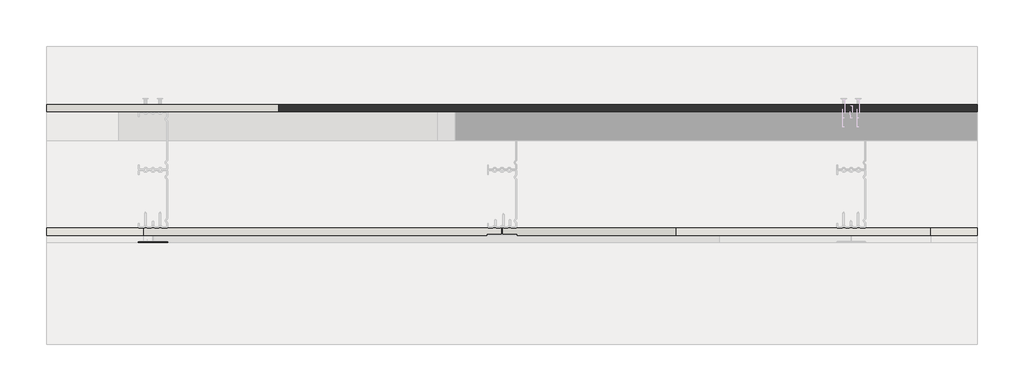
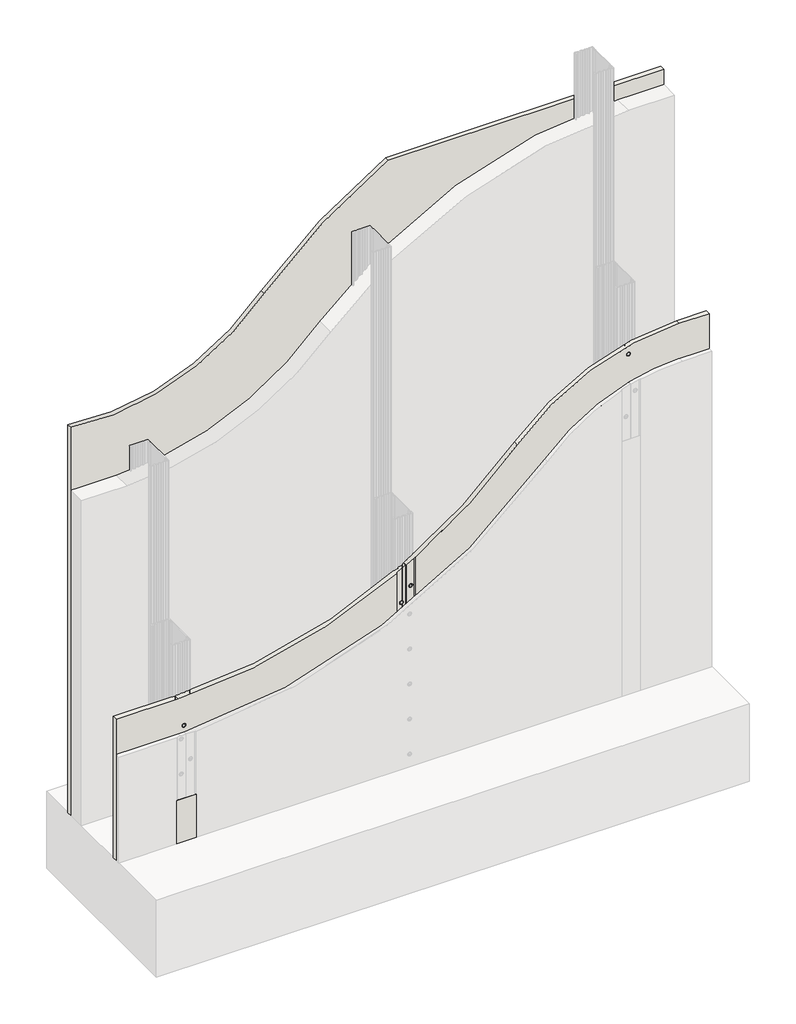
# One storey, part 1 of 3: 3 walls.
"""IFC4 building model written with IfcOpenShell, lengths in millimetres."""

from ifc_helpers import new_model, si_unit, point, frame, frame_2d, origin, origin_with_axes, place, context, project, spatial, polyline, circle_curve, ellipse_curve, trimmed, segment, composite_curve, outline, extrude, element, save
from ifc_brep_helpers import plane_surface, cylinder_surface, revolved_surface, advanced_brep

model = new_model("IFC4")

# Units and contexts
model_context = context("Model", 3, world=origin())
ifc_project = project(units=[si_unit("LENGTHUNIT", "METRE", prefix="MILLI")], contexts=[model_context])

# Site, building, storey
site = spatial("IfcSite", under=ifc_project)
building = spatial("IfcBuilding", under=site)
storey = spatial("IfcBuildingStorey", under=building, Elevation=0.0)

# Walls
placement = place(None, origin())
element("IfcWall", 1, at=placement, inside=storey, context=model_context, shape_type="SweptSolid", body=[
    extrude(outline(composite_curve([segment(polyline([(0.0, 11791.3841513), (0.0, 13391.3841513), (1568.4184724, 13391.3841513), (1568.4184724, 12649.0638865)]), True, "CONTINUOUS"), segment(trimmed(circle_curve(frame_2d((431.8740946, 13266.8438433)), 1293.5939076), [point((1568.4184724, 12649.0638865))], [point((1306.3364858, 12313.5858907))], False, "CARTESIAN"), True, "CONTINUOUS"), segment(trimmed(circle_curve(frame_2d((1680.7940504, 11871.3841513)), 579.4487433), [point((1306.3364858, 12313.5858907))], [point((1106.8943675, 11791.3841513))], True, "CARTESIAN"), True, "CONTINUOUS"), segment(polyline([(1106.8943675, 11791.3841513), (0.0, 11791.3841513)]), True, "CONTINUOUS")], self_intersect=False)), frame((0.0, 494.643389, 0.0), z_axis=(0.0, 1.0, 0.0), x_axis=(0.0, 0.0, 1.0)), (0.0, 0.0, 1.0), 12.5),
])
element("IfcWall", 2, at=placement, inside=storey, context=model_context, shape_type="AdvancedBrep", body=[
    advanced_brep(
    [(13391.3841513, 282.143389, 0.0), (13391.3841513, 282.143389, 1000.0), (13311.3841513, 282.143389, 1000.0), (12873.6769272, 282.143389, 807.5655296), (12600.3099298, 282.143389, 582.4392036), (12600.3099298, 282.143389, 0.0), (13168.8841513, 282.143389, 960.3704392), (13178.8841513, 282.143389, 960.3704392), (13168.8841513, 282.143389, 860.3704392), (13178.8841513, 282.143389, 860.3704392), (13168.8841513, 282.143389, 760.3704392), (13178.8841513, 282.143389, 760.3704392), (13168.8841513, 282.143389, 660.3704392), (13178.8841513, 282.143389, 660.3704392), (13168.8841513, 282.143389, 560.3704392), (13178.8841513, 282.143389, 560.3704392), (13168.8841513, 282.143389, 460.3704392), (13178.8841513, 282.143389, 460.3704392), (13168.8841513, 282.143389, 360.3704392), (13178.8841513, 282.143389, 360.3704392), (13168.8841513, 282.143389, 260.3704392), (13178.8841513, 282.143389, 260.3704392), (13168.8841513, 282.143389, 160.3704392), (13178.8841513, 282.143389, 160.3704392), (13168.8841513, 282.143389, 60.3704392), (13178.8841513, 282.143389, 60.3704392), (13391.3841513, 294.643389, 1000.0), (13391.3841513, 294.643389, 0.0), (12575.3099298, 294.643389, 0.0), (12575.3099298, 294.643389, 567.6720871), (12873.6769272, 294.643389, 807.5655296), (13311.3841513, 294.643389, 1000.0), (13175.4756328, 294.643389, 960.3704392), (13172.2926697, 294.643389, 960.3704392), (13175.4756328, 294.643389, 860.3704392), (13172.2926697, 294.643389, 860.3704392), (13175.4756328, 294.643389, 760.3704392), (13172.2926697, 294.643389, 760.3704392), (13175.4756328, 294.643389, 660.3704392), (13172.2926697, 294.643389, 660.3704392), (13175.4756328, 294.643389, 560.3704392), (13172.2926697, 294.643389, 560.3704392), (13175.4756328, 294.643389, 460.3704392), (13172.2926697, 294.643389, 460.3704392), (13175.4756328, 294.643389, 360.3704392), (13172.2926697, 294.643389, 360.3704392), (13175.4756328, 294.643389, 260.3704392), (13172.2926697, 294.643389, 260.3704392), (13175.4756328, 294.643389, 160.3704392), (13172.2926697, 294.643389, 160.3704392), (13175.4756328, 294.643389, 60.3704392), (13172.2926697, 294.643389, 60.3704392), (12586.174229, 294.643389, 504.1645331), (12589.4854041, 294.643389, 504.1645331), (12600.3099298, 283.143389, 0.0), (12597.154, 284.643389, 0.0), (12575.3099298, 284.643389, 0.0), (12575.3099298, 284.643389, 567.6720871), (12597.154, 284.643389, 580.5311564), (12600.3099298, 283.143389, 582.4392036), (12592.8298166, 284.643389, 504.1645331), (12582.8298166, 284.643389, 504.1645331), (13172.0185432, 283.9530311, 960.3704392), (13175.7497593, 283.9530311, 960.3704392), (13172.0185432, 283.9530311, 860.3704392), (13175.7497593, 283.9530311, 860.3704392), (13172.0185432, 283.9530311, 760.3704392), (13175.7497593, 283.9530311, 760.3704392), (13172.0185432, 283.9530311, 660.3704392), (13175.7497593, 283.9530311, 660.3704392), (13172.0185432, 283.9530311, 560.3704392), (13175.7497593, 283.9530311, 560.3704392), (13172.0185432, 283.9530311, 460.3704392), (13175.7497593, 283.9530311, 460.3704392), (13172.0185432, 283.9530311, 360.3704392), (13175.7497593, 283.9530311, 360.3704392), (13172.0185432, 283.9530311, 260.3704392), (13175.7497593, 283.9530311, 260.3704392), (13172.0185432, 283.9530311, 160.3704392), (13175.7497593, 283.9530311, 160.3704392), (13172.0185432, 283.9530311, 60.3704392), (13175.7497593, 283.9530311, 60.3704392), (12589.6954246, 286.4530311, 504.1645331), (12585.9642085, 286.4530311, 504.1645331)],
    [
        (0, 1),
        (1, 2),
        (2, 3, circle_curve(frame((13311.3841513, 282.143389, 405.9831409), z_axis=(0.0, -1.0, 0.0), x_axis=(-1.0, 0.0, 0.0)), 594.0168591)),
        (3, 4, circle_curve(frame((11958.7775955, 282.143389, 1639.9763701), z_axis=(0.0, 1.0, 0.0), x_axis=(-1.0, 0.0, 0.0)), 1236.9109081)),
        (4, 5),
        (5, 0),
        (6, 7, circle_curve(frame((13173.8841513, 282.143389, 960.3704392), z_axis=(0.0, 1.0, 0.0), x_axis=(1.0, 0.0, 0.0)), 5.0)),
        (7, 6, circle_curve(frame((13173.8841513, 282.143389, 960.3704392), z_axis=(0.0, 1.0, 0.0), x_axis=(1.0, 0.0, 0.0)), 5.0)),
        (8, 9, circle_curve(frame((13173.8841513, 282.143389, 860.3704392), z_axis=(0.0, 1.0, 0.0), x_axis=(1.0, 0.0, 0.0)), 5.0)),
        (9, 8, circle_curve(frame((13173.8841513, 282.143389, 860.3704392), z_axis=(0.0, 1.0, 0.0), x_axis=(1.0, 0.0, 0.0)), 5.0)),
        (10, 11, circle_curve(frame((13173.8841513, 282.143389, 760.3704392), z_axis=(0.0, 1.0, 0.0), x_axis=(1.0, 0.0, 0.0)), 5.0)),
        (11, 10, circle_curve(frame((13173.8841513, 282.143389, 760.3704392), z_axis=(0.0, 1.0, 0.0), x_axis=(1.0, 0.0, 0.0)), 5.0)),
        (12, 13, circle_curve(frame((13173.8841513, 282.143389, 660.3704392), z_axis=(0.0, 1.0, 0.0), x_axis=(1.0, 0.0, 0.0)), 5.0)),
        (13, 12, circle_curve(frame((13173.8841513, 282.143389, 660.3704392), z_axis=(0.0, 1.0, 0.0), x_axis=(1.0, 0.0, 0.0)), 5.0)),
        (14, 15, circle_curve(frame((13173.8841513, 282.143389, 560.3704392), z_axis=(0.0, 1.0, 0.0), x_axis=(1.0, 0.0, 0.0)), 5.0)),
        (15, 14, circle_curve(frame((13173.8841513, 282.143389, 560.3704392), z_axis=(0.0, 1.0, 0.0), x_axis=(1.0, 0.0, 0.0)), 5.0)),
        (16, 17, circle_curve(frame((13173.8841513, 282.143389, 460.3704392), z_axis=(0.0, 1.0, 0.0), x_axis=(1.0, 0.0, 0.0)), 5.0)),
        (17, 16, circle_curve(frame((13173.8841513, 282.143389, 460.3704392), z_axis=(0.0, 1.0, 0.0), x_axis=(1.0, 0.0, 0.0)), 5.0)),
        (18, 19, circle_curve(frame((13173.8841513, 282.143389, 360.3704392), z_axis=(0.0, 1.0, 0.0), x_axis=(1.0, 0.0, 0.0)), 5.0)),
        (19, 18, circle_curve(frame((13173.8841513, 282.143389, 360.3704392), z_axis=(0.0, 1.0, 0.0), x_axis=(1.0, 0.0, 0.0)), 5.0)),
        (20, 21, circle_curve(frame((13173.8841513, 282.143389, 260.3704392), z_axis=(0.0, 1.0, 0.0), x_axis=(1.0, 0.0, 0.0)), 5.0)),
        (21, 20, circle_curve(frame((13173.8841513, 282.143389, 260.3704392), z_axis=(0.0, 1.0, 0.0), x_axis=(1.0, 0.0, 0.0)), 5.0)),
        (22, 23, circle_curve(frame((13173.8841513, 282.143389, 160.3704392), z_axis=(0.0, 1.0, 0.0), x_axis=(1.0, 0.0, 0.0)), 5.0)),
        (23, 22, circle_curve(frame((13173.8841513, 282.143389, 160.3704392), z_axis=(0.0, 1.0, 0.0), x_axis=(1.0, 0.0, 0.0)), 5.0)),
        (24, 25, circle_curve(frame((13173.8841513, 282.143389, 60.3704392), z_axis=(0.0, 1.0, 0.0), x_axis=(1.0, 0.0, 0.0)), 5.0)),
        (25, 24, circle_curve(frame((13173.8841513, 282.143389, 60.3704392), z_axis=(0.0, 1.0, 0.0), x_axis=(1.0, 0.0, 0.0)), 5.0)),
        (26, 27),
        (27, 28),
        (28, 29),
        (29, 30, circle_curve(frame((11958.7775955, 294.643389, 1639.9763701), z_axis=(0.0, -1.0, 0.0), x_axis=(-1.0, 0.0, 0.0)), 1236.9109081)),
        (30, 31, circle_curve(frame((13311.3841513, 294.643389, 405.9831409), z_axis=(0.0, 1.0, 0.0), x_axis=(-1.0, 0.0, 0.0)), 594.0168591)),
        (31, 26),
        (32, 33, circle_curve(frame((13173.8841513, 294.643389, 960.3704392), z_axis=(0.0, -1.0, 0.0), x_axis=(1.0, 0.0, 0.0)), 1.5914815)),
        (33, 32, circle_curve(frame((13173.8841513, 294.643389, 960.3704392), z_axis=(0.0, -1.0, 0.0), x_axis=(1.0, 0.0, 0.0)), 1.5914815)),
        (34, 35, circle_curve(frame((13173.8841513, 294.643389, 860.3704392), z_axis=(0.0, -1.0, 0.0), x_axis=(1.0, 0.0, 0.0)), 1.5914815)),
        (35, 34, circle_curve(frame((13173.8841513, 294.643389, 860.3704392), z_axis=(0.0, -1.0, 0.0), x_axis=(1.0, 0.0, 0.0)), 1.5914815)),
        (36, 37, circle_curve(frame((13173.8841513, 294.643389, 760.3704392), z_axis=(0.0, -1.0, 0.0), x_axis=(1.0, 0.0, 0.0)), 1.5914815)),
        (37, 36, circle_curve(frame((13173.8841513, 294.643389, 760.3704392), z_axis=(0.0, -1.0, 0.0), x_axis=(1.0, 0.0, 0.0)), 1.5914815)),
        (38, 39, circle_curve(frame((13173.8841513, 294.643389, 660.3704392), z_axis=(0.0, -1.0, 0.0), x_axis=(1.0, 0.0, 0.0)), 1.5914815)),
        (39, 38, circle_curve(frame((13173.8841513, 294.643389, 660.3704392), z_axis=(0.0, -1.0, 0.0), x_axis=(1.0, 0.0, 0.0)), 1.5914815)),
        (40, 41, circle_curve(frame((13173.8841513, 294.643389, 560.3704392), z_axis=(0.0, -1.0, 0.0), x_axis=(1.0, 0.0, 0.0)), 1.5914815)),
        (41, 40, circle_curve(frame((13173.8841513, 294.643389, 560.3704392), z_axis=(0.0, -1.0, 0.0), x_axis=(1.0, 0.0, 0.0)), 1.5914815)),
        (42, 43, circle_curve(frame((13173.8841513, 294.643389, 460.3704392), z_axis=(0.0, -1.0, 0.0), x_axis=(1.0, 0.0, 0.0)), 1.5914815)),
        (43, 42, circle_curve(frame((13173.8841513, 294.643389, 460.3704392), z_axis=(0.0, -1.0, 0.0), x_axis=(1.0, 0.0, 0.0)), 1.5914815)),
        (44, 45, circle_curve(frame((13173.8841513, 294.643389, 360.3704392), z_axis=(0.0, -1.0, 0.0), x_axis=(1.0, 0.0, 0.0)), 1.5914815)),
        (45, 44, circle_curve(frame((13173.8841513, 294.643389, 360.3704392), z_axis=(0.0, -1.0, 0.0), x_axis=(1.0, 0.0, 0.0)), 1.5914815)),
        (46, 47, circle_curve(frame((13173.8841513, 294.643389, 260.3704392), z_axis=(0.0, -1.0, 0.0), x_axis=(1.0, 0.0, 0.0)), 1.5914815)),
        (47, 46, circle_curve(frame((13173.8841513, 294.643389, 260.3704392), z_axis=(0.0, -1.0, 0.0), x_axis=(1.0, 0.0, 0.0)), 1.5914815)),
        (48, 49, circle_curve(frame((13173.8841513, 294.643389, 160.3704392), z_axis=(0.0, -1.0, 0.0), x_axis=(1.0, 0.0, 0.0)), 1.5914815)),
        (49, 48, circle_curve(frame((13173.8841513, 294.643389, 160.3704392), z_axis=(0.0, -1.0, 0.0), x_axis=(1.0, 0.0, 0.0)), 1.5914815)),
        (50, 51, circle_curve(frame((13173.8841513, 294.643389, 60.3704392), z_axis=(0.0, -1.0, 0.0), x_axis=(1.0, 0.0, 0.0)), 1.5914815)),
        (51, 50, circle_curve(frame((13173.8841513, 294.643389, 60.3704392), z_axis=(0.0, -1.0, 0.0), x_axis=(1.0, 0.0, 0.0)), 1.5914815)),
        (52, 53, circle_curve(frame((12587.8298166, 294.643389, 504.1645331), z_axis=(0.0, -1.0, 0.0), x_axis=(-1.0, 0.0, 0.0)), 1.6555876)),
        (53, 52, circle_curve(frame((12587.8298166, 294.643389, 504.1645331), z_axis=(0.0, -1.0, 0.0), x_axis=(-1.0, 0.0, 0.0)), 1.6555876)),
        (27, 0),
        (5, 54),
        (54, 55),
        (55, 56),
        (56, 28),
        (26, 1),
        (31, 2),
        (30, 3),
        (29, 57),
        (57, 58, circle_curve(frame((11958.7775955, 284.643389, 1639.9763701), z_axis=(0.0, -1.0, 0.0), x_axis=(-1.0, 0.0, 0.0)), 1236.9109081)),
        (58, 59, ellipse_curve(frame((11958.7775955, 588.0609743, 1639.9763701), z_axis=(-0.42927473522914233, -0.9031739598183451, 0.0), x_axis=(-0.903173959818345, 0.42927473522914233, 0.0)), 1369.5156893, 1236.9109081)),
        (59, 4),
        (59, 54),
        (58, 55),
        (57, 56),
        (60, 61, circle_curve(frame((12587.8298166, 284.643389, 504.1645331), z_axis=(0.0, 1.0, 0.0), x_axis=(-1.0, 0.0, 0.0)), 5.0)),
        (61, 60, circle_curve(frame((12587.8298166, 284.643389, 504.1645331), z_axis=(0.0, 1.0, 0.0), x_axis=(-1.0, 0.0, 0.0)), 5.0)),
        (6, 62),
        (62, 63, circle_curve(frame((13173.8841513, 283.9530311, 960.3704392), z_axis=(0.0, 1.0, 0.0), x_axis=(1.0, 0.0, 0.0)), 1.865608)),
        (63, 7),
        (63, 62, circle_curve(frame((13173.8841513, 283.9530311, 960.3704392), z_axis=(0.0, 1.0, 0.0), x_axis=(1.0, 0.0, 0.0)), 1.865608)),
        (62, 33),
        (32, 63),
        (8, 64),
        (64, 65, circle_curve(frame((13173.8841513, 283.9530311, 860.3704392), z_axis=(0.0, 1.0, 0.0), x_axis=(1.0, 0.0, 0.0)), 1.865608)),
        (65, 9),
        (65, 64, circle_curve(frame((13173.8841513, 283.9530311, 860.3704392), z_axis=(0.0, 1.0, 0.0), x_axis=(1.0, 0.0, 0.0)), 1.865608)),
        (64, 35),
        (34, 65),
        (10, 66),
        (66, 67, circle_curve(frame((13173.8841513, 283.9530311, 760.3704392), z_axis=(0.0, 1.0, 0.0), x_axis=(1.0, 0.0, 0.0)), 1.865608)),
        (67, 11),
        (67, 66, circle_curve(frame((13173.8841513, 283.9530311, 760.3704392), z_axis=(0.0, 1.0, 0.0), x_axis=(1.0, 0.0, 0.0)), 1.865608)),
        (66, 37),
        (36, 67),
        (12, 68),
        (68, 69, circle_curve(frame((13173.8841513, 283.9530311, 660.3704392), z_axis=(0.0, 1.0, 0.0), x_axis=(1.0, 0.0, 0.0)), 1.865608)),
        (69, 13),
        (69, 68, circle_curve(frame((13173.8841513, 283.9530311, 660.3704392), z_axis=(0.0, 1.0, 0.0), x_axis=(1.0, 0.0, 0.0)), 1.865608)),
        (68, 39),
        (38, 69),
        (14, 70),
        (70, 71, circle_curve(frame((13173.8841513, 283.9530311, 560.3704392), z_axis=(0.0, 1.0, 0.0), x_axis=(1.0, 0.0, 0.0)), 1.865608)),
        (71, 15),
        (71, 70, circle_curve(frame((13173.8841513, 283.9530311, 560.3704392), z_axis=(0.0, 1.0, 0.0), x_axis=(1.0, 0.0, 0.0)), 1.865608)),
        (70, 41),
        (40, 71),
        (16, 72),
        (72, 73, circle_curve(frame((13173.8841513, 283.9530311, 460.3704392), z_axis=(0.0, 1.0, 0.0), x_axis=(1.0, 0.0, 0.0)), 1.865608)),
        (73, 17),
        (73, 72, circle_curve(frame((13173.8841513, 283.9530311, 460.3704392), z_axis=(0.0, 1.0, 0.0), x_axis=(1.0, 0.0, 0.0)), 1.865608)),
        (72, 43),
        (42, 73),
        (18, 74),
        (74, 75, circle_curve(frame((13173.8841513, 283.9530311, 360.3704392), z_axis=(0.0, 1.0, 0.0), x_axis=(1.0, 0.0, 0.0)), 1.865608)),
        (75, 19),
        (75, 74, circle_curve(frame((13173.8841513, 283.9530311, 360.3704392), z_axis=(0.0, 1.0, 0.0), x_axis=(1.0, 0.0, 0.0)), 1.865608)),
        (74, 45),
        (44, 75),
        (20, 76),
        (76, 77, circle_curve(frame((13173.8841513, 283.9530311, 260.3704392), z_axis=(0.0, 1.0, 0.0), x_axis=(1.0, 0.0, 0.0)), 1.865608)),
        (77, 21),
        (77, 76, circle_curve(frame((13173.8841513, 283.9530311, 260.3704392), z_axis=(0.0, 1.0, 0.0), x_axis=(1.0, 0.0, 0.0)), 1.865608)),
        (76, 47),
        (46, 77),
        (22, 78),
        (78, 79, circle_curve(frame((13173.8841513, 283.9530311, 160.3704392), z_axis=(0.0, 1.0, 0.0), x_axis=(1.0, 0.0, 0.0)), 1.865608)),
        (79, 23),
        (79, 78, circle_curve(frame((13173.8841513, 283.9530311, 160.3704392), z_axis=(0.0, 1.0, 0.0), x_axis=(1.0, 0.0, 0.0)), 1.865608)),
        (78, 49),
        (48, 79),
        (24, 80),
        (80, 81, circle_curve(frame((13173.8841513, 283.9530311, 60.3704392), z_axis=(0.0, 1.0, 0.0), x_axis=(1.0, 0.0, 0.0)), 1.865608)),
        (81, 25),
        (81, 80, circle_curve(frame((13173.8841513, 283.9530311, 60.3704392), z_axis=(0.0, 1.0, 0.0), x_axis=(1.0, 0.0, 0.0)), 1.865608)),
        (80, 51),
        (50, 81),
        (60, 82),
        (82, 83, circle_curve(frame((12587.8298166, 286.4530311, 504.1645331), z_axis=(0.0, 1.0, 0.0), x_axis=(-1.0, 0.0, 0.0)), 1.865608)),
        (83, 61),
        (83, 82, circle_curve(frame((12587.8298166, 286.4530311, 504.1645331), z_axis=(0.0, 1.0, 0.0), x_axis=(-1.0, 0.0, 0.0)), 1.865608)),
        (82, 53),
        (52, 83),
    ],
    [
        plane_surface(frame((11791.3841513, 282.143389, 0.0), z_axis=(0.0, -1.0, 0.0), x_axis=(1.0, 0.0, 0.0))),
        plane_surface(frame((11791.3841513, 294.643389, 0.0), z_axis=(0.0, 1.0, 0.0), x_axis=(-1.0, 0.0, 0.0))),
        plane_surface(frame((11791.3841513, 282.143389, 0.0), z_axis=(0.0, 0.0, -1.0), x_axis=(0.0, 1.0, 0.0))),
        plane_surface(frame((13391.3841513, 282.143389, 0.0), z_axis=(1.0, 0.0, 0.0), x_axis=(0.0, 1.0, 0.0))),
        plane_surface(frame((13391.3841513, 282.143389, 1000.0), z_axis=(0.0, 0.0, 1.0), x_axis=(0.0, 1.0, 0.0))),
        cylinder_surface(frame((13311.3841513, 294.643389, 405.9831409), z_axis=(0.0, -1.0, 0.0), x_axis=(-1.0, 0.0, 0.0)), 594.0168591),
        revolved_surface(polyline([(10721.8666874, 1175.959459216414, 1639.9763701), (10721.8666874, 0.1624893835861485, 1639.9763701)]), (11958.7775955, 294.643389, 1639.9763701), (0.0, 1.0, 0.0)),
        plane_surface(frame((12600.3099298, 282.143389, 1000.0), z_axis=(-1.0, 0.0, 0.0), x_axis=(0.0, 0.0, -1.0))),
        plane_surface(frame((12600.3099298, 283.143389, 1000.0), z_axis=(-0.42927473522914233, -0.9031739598183451, 0.0), x_axis=(0.0, 0.0, -1.0))),
        plane_surface(frame((12597.154, 284.643389, 1000.0), z_axis=(0.0, -1.0, 0.0), x_axis=(0.0, 0.0, -1.0))),
        plane_surface(frame((12575.3099298, 284.643389, 1000.0), z_axis=(-1.0, 0.0, 0.0), x_axis=(0.0, 0.0, -1.0))),
        revolved_surface(polyline([(13178.8841513, 282.143389, 960.3704392), (13175.7497593, 283.9530311, 960.3704392)]), (13173.8841513, 1282.143389, 960.3704392), (0.0, -1.0, 0.0)),
        revolved_surface(polyline([(13175.7497593, 283.9530311, 960.3704392), (13175.1894783, 305.8028125, 960.3704392)]), (13173.8841513, 1282.143389, 960.3704392), (0.0, -1.0, 0.0)),
        revolved_surface(polyline([(13178.8841513, 282.143389, 860.3704392), (13175.7497593, 283.9530311, 860.3704392)]), (13173.8841513, 1282.143389, 860.3704392), (0.0, -1.0, 0.0)),
        revolved_surface(polyline([(13175.7497593, 283.9530311, 860.3704392), (13175.1894783, 305.8028125, 860.3704392)]), (13173.8841513, 1282.143389, 860.3704392), (0.0, -1.0, 0.0)),
        revolved_surface(polyline([(13178.8841513, 282.143389, 760.3704392), (13175.7497593, 283.9530311, 760.3704392)]), (13173.8841513, 1282.143389, 760.3704392), (0.0, -1.0, 0.0)),
        revolved_surface(polyline([(13175.7497593, 283.9530311, 760.3704392), (13175.1894783, 305.8028125, 760.3704392)]), (13173.8841513, 1282.143389, 760.3704392), (0.0, -1.0, 0.0)),
        revolved_surface(polyline([(13178.8841513, 282.143389, 660.3704392), (13175.7497593, 283.9530311, 660.3704392)]), (13173.8841513, 1282.143389, 660.3704392), (0.0, -1.0, 0.0)),
        revolved_surface(polyline([(13175.7497593, 283.9530311, 660.3704392), (13175.1894783, 305.8028125, 660.3704392)]), (13173.8841513, 1282.143389, 660.3704392), (0.0, -1.0, 0.0)),
        revolved_surface(polyline([(13178.8841513, 282.143389, 560.3704392), (13175.7497593, 283.9530311, 560.3704392)]), (13173.8841513, 1282.143389, 560.3704392), (0.0, -1.0, 0.0)),
        revolved_surface(polyline([(13175.7497593, 283.9530311, 560.3704392), (13175.1894783, 305.8028125, 560.3704392)]), (13173.8841513, 1282.143389, 560.3704392), (0.0, -1.0, 0.0)),
        revolved_surface(polyline([(13178.8841513, 282.143389, 460.3704392), (13175.7497593, 283.9530311, 460.3704392)]), (13173.8841513, 1282.143389, 460.3704392), (0.0, -1.0, 0.0)),
        revolved_surface(polyline([(13175.7497593, 283.9530311, 460.3704392), (13175.1894783, 305.8028125, 460.3704392)]), (13173.8841513, 1282.143389, 460.3704392), (0.0, -1.0, 0.0)),
        revolved_surface(polyline([(13178.8841513, 282.143389, 360.3704392), (13175.7497593, 283.9530311, 360.3704392)]), (13173.8841513, 1282.143389, 360.3704392), (0.0, -1.0, 0.0)),
        revolved_surface(polyline([(13175.7497593, 283.9530311, 360.3704392), (13175.1894783, 305.8028125, 360.3704392)]), (13173.8841513, 1282.143389, 360.3704392), (0.0, -1.0, 0.0)),
        revolved_surface(polyline([(13178.8841513, 282.143389, 260.3704392), (13175.7497593, 283.9530311, 260.3704392)]), (13173.8841513, 1282.143389, 260.3704392), (0.0, -1.0, 0.0)),
        revolved_surface(polyline([(13175.7497593, 283.9530311, 260.3704392), (13175.1894783, 305.8028125, 260.3704392)]), (13173.8841513, 1282.143389, 260.3704392), (0.0, -1.0, 0.0)),
        revolved_surface(polyline([(13178.8841513, 282.143389, 160.3704392), (13175.7497593, 283.9530311, 160.3704392)]), (13173.8841513, 1282.143389, 160.3704392), (0.0, -1.0, 0.0)),
        revolved_surface(polyline([(13175.7497593, 283.9530311, 160.3704392), (13175.1894783, 305.8028125, 160.3704392)]), (13173.8841513, 1282.143389, 160.3704392), (0.0, -1.0, 0.0)),
        revolved_surface(polyline([(13178.8841513, 282.143389, 60.3704392), (13175.7497593, 283.9530311, 60.3704392)]), (13173.8841513, 1282.143389, 60.3704392), (0.0, -1.0, 0.0)),
        revolved_surface(polyline([(13175.7497593, 283.9530311, 60.3704392), (13175.1894783, 305.8028125, 60.3704392)]), (13173.8841513, 1282.143389, 60.3704392), (0.0, -1.0, 0.0)),
        revolved_surface(polyline([(12582.8298166, 284.643389, 504.1645331), (12585.9642085, 286.4530311, 504.1645331)]), (12587.8298166, 1284.643389, 504.1645331), (0.0, -1.0, 0.0)),
        revolved_surface(polyline([(12585.9642085, 286.4530311, 504.1645331), (12586.5244895, 308.3028125, 504.1645331)]), (12587.8298166, 1284.643389, 504.1645331), (0.0, -1.0, 0.0)),
    ],
    [
        (0, [[1, 2, 3, 4, 5, 6], [7, 8], [9, 10], [11, 12], [13, 14], [15, 16], [17, 18], [19, 20], [21, 22], [23, 24], [25, 26]]),
        (1, [[27, 28, 29, 30, 31, 32], [33, 34], [35, 36], [37, 38], [39, 40], [41, 42], [43, 44], [45, 46], [47, 48], [49, 50], [51, 52], [53, 54]]),
        (2, [[55, -6, 56, 57, 58, 59, -28]]),
        (3, [[-1, -55, -27, 60]]),
        (4, [[-2, -60, -32, 61]]),
        (5, [[-3, -61, -31, 62]]),
        (6, [[-62, -30, 63, 64, 65, 66, -4]]),
        (7, [[-5, -66, 67, -56]]),
        (8, [[-67, -65, 68, -57]]),
        (9, [[-68, -64, 69, -58], [70, 71]]),
        (10, [[-29, -59, -69, -63]]),
        (11, [[72, 73, 74, -7]]),
        (11, [[-72, -8, -74, 75]]),
        (12, [[-73, 76, -33, 77]]),
        (12, [[-75, -77, -34, -76]]),
        (13, [[78, 79, 80, -9]]),
        (13, [[-78, -10, -80, 81]]),
        (14, [[-79, 82, -35, 83]]),
        (14, [[-81, -83, -36, -82]]),
        (15, [[84, 85, 86, -11]]),
        (15, [[-84, -12, -86, 87]]),
        (16, [[-85, 88, -37, 89]]),
        (16, [[-87, -89, -38, -88]]),
        (17, [[90, 91, 92, -13]]),
        (17, [[-90, -14, -92, 93]]),
        (18, [[-91, 94, -39, 95]]),
        (18, [[-93, -95, -40, -94]]),
        (19, [[96, 97, 98, -15]]),
        (19, [[-96, -16, -98, 99]]),
        (20, [[-97, 100, -41, 101]]),
        (20, [[-99, -101, -42, -100]]),
        (21, [[102, 103, 104, -17]]),
        (21, [[-102, -18, -104, 105]]),
        (22, [[-103, 106, -43, 107]]),
        (22, [[-105, -107, -44, -106]]),
        (23, [[108, 109, 110, -19]]),
        (23, [[-108, -20, -110, 111]]),
        (24, [[-109, 112, -45, 113]]),
        (24, [[-111, -113, -46, -112]]),
        (25, [[114, 115, 116, -21]]),
        (25, [[-114, -22, -116, 117]]),
        (26, [[-115, 118, -47, 119]]),
        (26, [[-117, -119, -48, -118]]),
        (27, [[120, 121, 122, -23]]),
        (27, [[-120, -24, -122, 123]]),
        (28, [[-121, 124, -49, 125]]),
        (28, [[-123, -125, -50, -124]]),
        (29, [[126, 127, 128, -25]]),
        (29, [[-126, -26, -128, 129]]),
        (30, [[-127, 130, -51, 131]]),
        (30, [[-129, -131, -52, -130]]),
        (31, [[132, 133, 134, -70]]),
        (31, [[-132, -71, -134, 135]]),
        (32, [[-133, 136, -53, 137]]),
        (32, [[-135, -137, -54, -136]]),
    ],
),
    advanced_brep(
    [(11791.3841513, 282.143389, 403.065462), (11791.3841513, 282.143389, 0.0), (12548.3099298, 282.143389, 0.0), (12548.3099298, 282.143389, 552.5940908), (11958.7775955, 282.143389, 403.065462), (11969.5091513, 282.143389, 321.2712003), (11979.5091513, 282.143389, 321.2712003), (11969.5091513, 282.143389, 221.2712003), (11979.5091513, 282.143389, 221.2712003), (11969.5091513, 282.143389, 121.2712003), (11979.5091513, 282.143389, 121.2712003), (11969.5091513, 282.143389, 21.2712003), (11979.5091513, 282.143389, 21.2712003), (11791.3841513, 294.643389, 0.0), (11791.3841513, 294.643389, 403.065462), (11958.7775955, 294.643389, 403.065462), (12573.3099298, 294.643389, 566.5246457), (12573.3099298, 294.643389, 0.0), (11976.1006328, 294.643389, 321.2712003), (11972.9176697, 294.643389, 321.2712003), (11976.1006328, 294.643389, 221.2712003), (11972.9176697, 294.643389, 221.2712003), (11976.1006328, 294.643389, 121.2712003), (11972.9176697, 294.643389, 121.2712003), (11976.1006328, 294.643389, 21.2712003), (11972.9176697, 294.643389, 21.2712003), (12561.174229, 294.643389, 464.1645331), (12564.4854041, 294.643389, 464.1645331), (12573.3099298, 284.643389, 0.0), (12551.4658596, 284.643389, 0.0), (12548.3099298, 283.143389, 0.0), (12548.3099298, 283.143389, 552.5940908), (12551.4658596, 284.643389, 554.3110367), (12573.3099298, 284.643389, 566.5246457), (12567.8298166, 284.643389, 464.1645331), (12557.8298166, 284.643389, 464.1645331), (11972.6435432, 283.9530311, 321.2712003), (11976.3747593, 283.9530311, 321.2712003), (11972.6435432, 283.9530311, 221.2712003), (11976.3747593, 283.9530311, 221.2712003), (11972.6435432, 283.9530311, 121.2712003), (11976.3747593, 283.9530311, 121.2712003), (11972.6435432, 283.9530311, 21.2712003), (11976.3747593, 283.9530311, 21.2712003), (12564.6954246, 286.4530311, 464.1645331), (12560.9642085, 286.4530311, 464.1645331)],
    [
        (0, 1),
        (1, 2),
        (2, 3),
        (3, 4, circle_curve(frame((11958.7775955, 282.143389, 1639.9763701), z_axis=(0.0, 1.0, 0.0), x_axis=(-1.0, 0.0, 0.0)), 1236.9109081)),
        (4, 0),
        (5, 6, circle_curve(frame((11974.5091513, 282.143389, 321.2712003), z_axis=(0.0, 1.0, 0.0), x_axis=(1.0, 0.0, 0.0)), 5.0)),
        (6, 5, circle_curve(frame((11974.5091513, 282.143389, 321.2712003), z_axis=(0.0, 1.0, 0.0), x_axis=(1.0, 0.0, 0.0)), 5.0)),
        (7, 8, circle_curve(frame((11974.5091513, 282.143389, 221.2712003), z_axis=(0.0, 1.0, 0.0), x_axis=(1.0, 0.0, 0.0)), 5.0)),
        (8, 7, circle_curve(frame((11974.5091513, 282.143389, 221.2712003), z_axis=(0.0, 1.0, 0.0), x_axis=(1.0, 0.0, 0.0)), 5.0)),
        (9, 10, circle_curve(frame((11974.5091513, 282.143389, 121.2712003), z_axis=(0.0, 1.0, 0.0), x_axis=(1.0, 0.0, 0.0)), 5.0)),
        (10, 9, circle_curve(frame((11974.5091513, 282.143389, 121.2712003), z_axis=(0.0, 1.0, 0.0), x_axis=(1.0, 0.0, 0.0)), 5.0)),
        (11, 12, circle_curve(frame((11974.5091513, 282.143389, 21.2712003), z_axis=(0.0, 1.0, 0.0), x_axis=(1.0, 0.0, 0.0)), 5.0)),
        (12, 11, circle_curve(frame((11974.5091513, 282.143389, 21.2712003), z_axis=(0.0, 1.0, 0.0), x_axis=(1.0, 0.0, 0.0)), 5.0)),
        (13, 14),
        (14, 15),
        (15, 16, circle_curve(frame((11958.7775955, 294.643389, 1639.9763701), z_axis=(0.0, -1.0, 0.0), x_axis=(-1.0, 0.0, 0.0)), 1236.9109081)),
        (16, 17),
        (17, 13),
        (18, 19, circle_curve(frame((11974.5091513, 294.643389, 321.2712003), z_axis=(0.0, -1.0, 0.0), x_axis=(1.0, 0.0, 0.0)), 1.5914815)),
        (19, 18, circle_curve(frame((11974.5091513, 294.643389, 321.2712003), z_axis=(0.0, -1.0, 0.0), x_axis=(1.0, 0.0, 0.0)), 1.5914815)),
        (20, 21, circle_curve(frame((11974.5091513, 294.643389, 221.2712003), z_axis=(0.0, -1.0, 0.0), x_axis=(1.0, 0.0, 0.0)), 1.5914815)),
        (21, 20, circle_curve(frame((11974.5091513, 294.643389, 221.2712003), z_axis=(0.0, -1.0, 0.0), x_axis=(1.0, 0.0, 0.0)), 1.5914815)),
        (22, 23, circle_curve(frame((11974.5091513, 294.643389, 121.2712003), z_axis=(0.0, -1.0, 0.0), x_axis=(1.0, 0.0, 0.0)), 1.5914815)),
        (23, 22, circle_curve(frame((11974.5091513, 294.643389, 121.2712003), z_axis=(0.0, -1.0, 0.0), x_axis=(1.0, 0.0, 0.0)), 1.5914815)),
        (24, 25, circle_curve(frame((11974.5091513, 294.643389, 21.2712003), z_axis=(0.0, -1.0, 0.0), x_axis=(1.0, 0.0, 0.0)), 1.5914815)),
        (25, 24, circle_curve(frame((11974.5091513, 294.643389, 21.2712003), z_axis=(0.0, -1.0, 0.0), x_axis=(1.0, 0.0, 0.0)), 1.5914815)),
        (26, 27, circle_curve(frame((12562.8298166, 294.643389, 464.1645331), z_axis=(0.0, -1.0, 0.0), x_axis=(-1.0, 0.0, 0.0)), 1.6555876)),
        (27, 26, circle_curve(frame((12562.8298166, 294.643389, 464.1645331), z_axis=(0.0, -1.0, 0.0), x_axis=(-1.0, 0.0, 0.0)), 1.6555876)),
        (1, 13),
        (17, 28),
        (28, 29),
        (29, 30),
        (30, 2),
        (0, 14),
        (15, 4),
        (3, 31),
        (31, 32, ellipse_curve(frame((11958.7775955, 2.9411821, 1639.9763701), z_axis=(0.42927473523314746, -0.9031739598164416, 0.0), x_axis=(0.9031739598164414, 0.42927473523314735, 0.0)), 1369.5156893, 1236.9109081)),
        (32, 33, circle_curve(frame((11958.7775955, 284.643389, 1639.9763701), z_axis=(0.0, -1.0, 0.0), x_axis=(-1.0, 0.0, 0.0)), 1236.9109081)),
        (33, 16),
        (33, 28),
        (32, 29),
        (34, 35, circle_curve(frame((12562.8298166, 284.643389, 464.1645331), z_axis=(0.0, 1.0, 0.0), x_axis=(-1.0, 0.0, 0.0)), 5.0)),
        (35, 34, circle_curve(frame((12562.8298166, 284.643389, 464.1645331), z_axis=(0.0, 1.0, 0.0), x_axis=(-1.0, 0.0, 0.0)), 5.0)),
        (31, 30),
        (5, 36),
        (36, 37, circle_curve(frame((11974.5091513, 283.9530311, 321.2712003), z_axis=(0.0, 1.0, 0.0), x_axis=(1.0, 0.0, 0.0)), 1.865608)),
        (37, 6),
        (37, 36, circle_curve(frame((11974.5091513, 283.9530311, 321.2712003), z_axis=(0.0, 1.0, 0.0), x_axis=(1.0, 0.0, 0.0)), 1.865608)),
        (36, 19),
        (18, 37),
        (7, 38),
        (38, 39, circle_curve(frame((11974.5091513, 283.9530311, 221.2712003), z_axis=(0.0, 1.0, 0.0), x_axis=(1.0, 0.0, 0.0)), 1.865608)),
        (39, 8),
        (39, 38, circle_curve(frame((11974.5091513, 283.9530311, 221.2712003), z_axis=(0.0, 1.0, 0.0), x_axis=(1.0, 0.0, 0.0)), 1.865608)),
        (38, 21),
        (20, 39),
        (9, 40),
        (40, 41, circle_curve(frame((11974.5091513, 283.9530311, 121.2712003), z_axis=(0.0, 1.0, 0.0), x_axis=(1.0, 0.0, 0.0)), 1.865608)),
        (41, 10),
        (41, 40, circle_curve(frame((11974.5091513, 283.9530311, 121.2712003), z_axis=(0.0, 1.0, 0.0), x_axis=(1.0, 0.0, 0.0)), 1.865608)),
        (40, 23),
        (22, 41),
        (11, 42),
        (42, 43, circle_curve(frame((11974.5091513, 283.9530311, 21.2712003), z_axis=(0.0, 1.0, 0.0), x_axis=(1.0, 0.0, 0.0)), 1.865608)),
        (43, 12),
        (43, 42, circle_curve(frame((11974.5091513, 283.9530311, 21.2712003), z_axis=(0.0, 1.0, 0.0), x_axis=(1.0, 0.0, 0.0)), 1.865608)),
        (42, 25),
        (24, 43),
        (34, 44),
        (44, 45, circle_curve(frame((12562.8298166, 286.4530311, 464.1645331), z_axis=(0.0, 1.0, 0.0), x_axis=(-1.0, 0.0, 0.0)), 1.865608)),
        (45, 35),
        (45, 44, circle_curve(frame((12562.8298166, 286.4530311, 464.1645331), z_axis=(0.0, 1.0, 0.0), x_axis=(-1.0, 0.0, 0.0)), 1.865608)),
        (44, 27),
        (26, 45),
    ],
    [
        plane_surface(frame((11791.3841513, 282.143389, 0.0), z_axis=(0.0, -1.0, 0.0), x_axis=(1.0, 0.0, 0.0))),
        plane_surface(frame((11791.3841513, 294.643389, 0.0), z_axis=(0.0, 1.0, 0.0), x_axis=(-1.0, 0.0, 0.0))),
        plane_surface(frame((11791.3841513, 282.143389, 0.0), z_axis=(0.0, 0.0, -1.0), x_axis=(0.0, 1.0, 0.0))),
        plane_surface(frame((11791.3841513, 282.143389, 403.065462), z_axis=(-1.0, 0.0, 0.0), x_axis=(0.0, 1.0, 0.0))),
        revolved_surface(polyline([(10721.8666874, 590.8396670218988, 1639.9763701), (10721.8666874, -584.9573028218988, 1639.9763701)]), (11958.7775955, 294.643389, 1639.9763701), (0.0, 1.0, 0.0)),
        plane_surface(frame((11958.7775955, 282.143389, 403.065462), z_axis=(0.0, 0.0, 1.0), x_axis=(0.0, 1.0, 0.0))),
        plane_surface(frame((12573.3099298, 294.643389, 1000.0), z_axis=(1.0, 0.0, 0.0), x_axis=(0.0, 0.0, -1.0))),
        plane_surface(frame((12573.3099298, 284.643389, 1000.0), z_axis=(0.0, -1.0, 0.0), x_axis=(0.0, 0.0, -1.0))),
        plane_surface(frame((12551.4658596, 284.643389, 1000.0), z_axis=(0.42927473523314746, -0.9031739598164416, 0.0), x_axis=(0.0, 0.0, -1.0))),
        plane_surface(frame((12548.3099298, 283.143389, 1000.0), z_axis=(1.0, 0.0, 0.0), x_axis=(0.0, 0.0, -1.0))),
        revolved_surface(polyline([(11979.5091513, 282.143389, 321.2712003), (11976.3747593, 283.9530311, 321.2712003)]), (11974.5091513, 1282.143389, 321.2712003), (0.0, -1.0, 0.0)),
        revolved_surface(polyline([(11976.3747593, 283.9530311, 321.2712003), (11975.8144783, 305.8028125, 321.2712003)]), (11974.5091513, 1282.143389, 321.2712003), (0.0, -1.0, 0.0)),
        revolved_surface(polyline([(11979.5091513, 282.143389, 221.2712003), (11976.3747593, 283.9530311, 221.2712003)]), (11974.5091513, 1282.143389, 221.2712003), (0.0, -1.0, 0.0)),
        revolved_surface(polyline([(11976.3747593, 283.9530311, 221.2712003), (11975.8144783, 305.8028125, 221.2712003)]), (11974.5091513, 1282.143389, 221.2712003), (0.0, -1.0, 0.0)),
        revolved_surface(polyline([(11979.5091513, 282.143389, 121.2712003), (11976.3747593, 283.9530311, 121.2712003)]), (11974.5091513, 1282.143389, 121.2712003), (0.0, -1.0, 0.0)),
        revolved_surface(polyline([(11976.3747593, 283.9530311, 121.2712003), (11975.8144783, 305.8028125, 121.2712003)]), (11974.5091513, 1282.143389, 121.2712003), (0.0, -1.0, 0.0)),
        revolved_surface(polyline([(11979.5091513, 282.143389, 21.2712003), (11976.3747593, 283.9530311, 21.2712003)]), (11974.5091513, 1282.143389, 21.2712003), (0.0, -1.0, 0.0)),
        revolved_surface(polyline([(11976.3747593, 283.9530311, 21.2712003), (11975.8144783, 305.8028125, 21.2712003)]), (11974.5091513, 1282.143389, 21.2712003), (0.0, -1.0, 0.0)),
        revolved_surface(polyline([(12557.8298166, 284.643389, 464.1645331), (12560.9642085, 286.4530311, 464.1645331)]), (12562.8298166, 1284.643389, 464.1645331), (0.0, -1.0, 0.0)),
        revolved_surface(polyline([(12560.9642085, 286.4530311, 464.1645331), (12561.5244895, 308.3028125, 464.1645331)]), (12562.8298166, 1284.643389, 464.1645331), (0.0, -1.0, 0.0)),
    ],
    [
        (0, [[1, 2, 3, 4, 5], [6, 7], [8, 9], [10, 11], [12, 13]]),
        (1, [[14, 15, 16, 17, 18], [19, 20], [21, 22], [23, 24], [25, 26], [27, 28]]),
        (2, [[29, -18, 30, 31, 32, 33, -2]]),
        (3, [[-1, 34, -14, -29]]),
        (4, [[35, -4, 36, 37, 38, 39, -16]]),
        (5, [[-5, -35, -15, -34]]),
        (6, [[-17, -39, 40, -30]]),
        (7, [[-40, -38, 41, -31], [42, 43]]),
        (8, [[44, -32, -41, -37]]),
        (9, [[-3, -33, -44, -36]]),
        (10, [[45, 46, 47, -6]]),
        (10, [[-45, -7, -47, 48]]),
        (11, [[-46, 49, -19, 50]]),
        (11, [[-48, -50, -20, -49]]),
        (12, [[51, 52, 53, -8]]),
        (12, [[-51, -9, -53, 54]]),
        (13, [[-52, 55, -21, 56]]),
        (13, [[-54, -56, -22, -55]]),
        (14, [[57, 58, 59, -10]]),
        (14, [[-57, -11, -59, 60]]),
        (15, [[-58, 61, -23, 62]]),
        (15, [[-60, -62, -24, -61]]),
        (16, [[63, 64, 65, -12]]),
        (16, [[-63, -13, -65, 66]]),
        (17, [[-64, 67, -25, 68]]),
        (17, [[-66, -68, -26, -67]]),
        (18, [[69, 70, 71, -42]]),
        (18, [[-69, -43, -71, 72]]),
        (19, [[-70, 73, -27, 74]]),
        (19, [[-72, -74, -28, -73]]),
    ],
),
])
element("IfcWall", 3, at=placement, inside=storey, context=model_context, shape_type="SweptSolid", body=[
    extrude(outline(polyline([(11948.4841513, 270.643389), (12000.4841513, 270.643389), (12000.4841513, 269.643389), (11948.4841513, 269.643389), (11948.4841513, 270.643389)])), origin_with_axes(), (0.0, 0.0, 1.0), 123.1),
])

save(model, "model.ifc")
